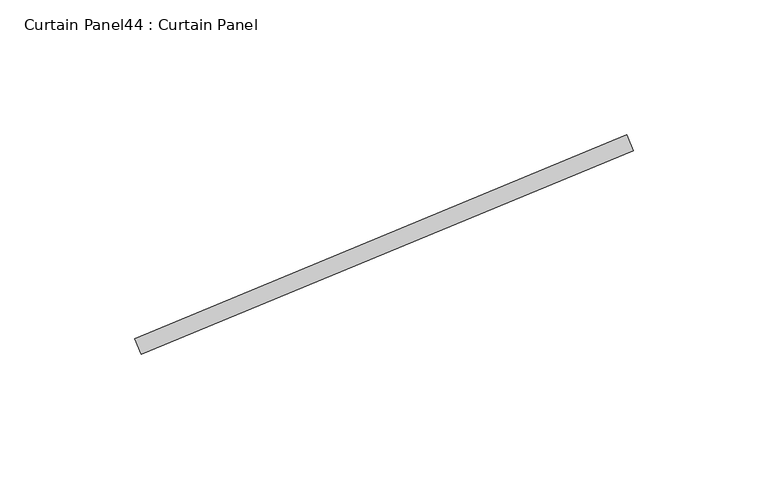
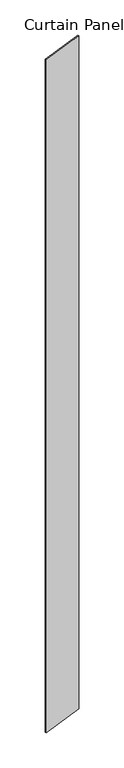
"""IFC4 building model written with IfcOpenShell, lengths in millimetres: plate geometry, Curtain Panel44 : Curtain Panel."""

from ifc_helpers import new_model, si_unit, frame, origin, place, context, project, spatial, polyline, outline, extrude, source, transform, mapped, element, save


def curtain_panel44_curtain_panel_2873b51b(model_context):
    return source(origin(), model_context, "Body", "SweptSolid", [
        extrude(outline(polyline([(941823.4655789, 2076.3519698), (942005.9523962, 2151.9404845), (942008.382436, 2146.0738495), (941825.8956187, 2070.4853348), (941823.4655789, 2076.3519698)])), frame((0.0, 0.0, 3136.8926964), z_axis=(0.0, 0.0, 1.0), x_axis=(1.0, 0.0, 0.0)), (0.0, 0.0, 1.0), 3048.0),
    ])


if __name__ == "__main__":
    model = new_model("IFC4")
    model_context = context("Model", 3, world=origin())
    ifc_project = project(units=[si_unit("LENGTHUNIT", "METRE", prefix="MILLI")], contexts=[model_context])
    site = spatial("IfcSite", under=ifc_project)
    building = spatial("IfcBuilding", under=site)
    placement = place(None, origin())
    curtain_panel44_curtain_panel_shape = curtain_panel44_curtain_panel_2873b51b(model_context)
    element("IfcPlate", 1, ObjectType="Curtain Panel44 : Curtain Panel", at=placement, inside=building, context=model_context, shape_type="MappedRepresentation", body=[
        mapped(curtain_panel44_curtain_panel_shape, transform((0.0, 0.0, 0.0), x_axis=(1.0, 0.0, 0.0), y_axis=(0.0, 1.0, 0.0), z_axis=(0.0, 0.0, 1.0))),
    ])
    save(model, "model.ifc")
